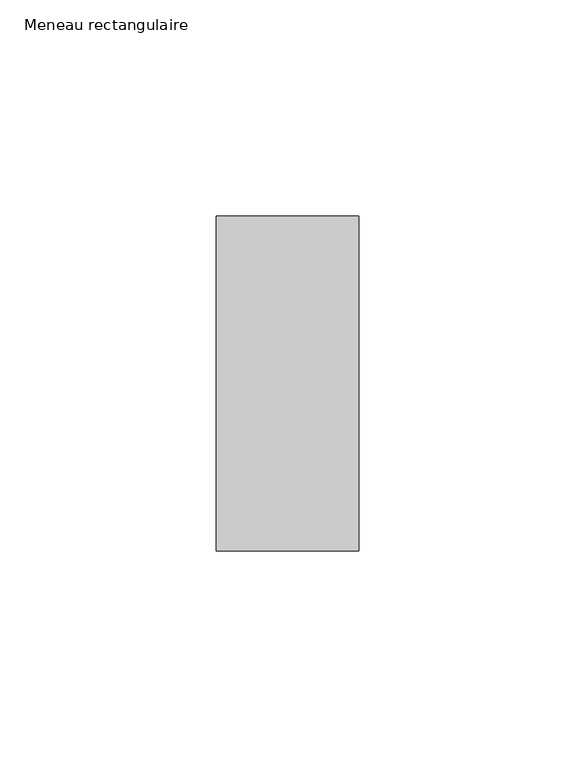
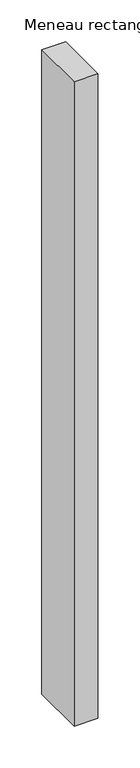
"""IFC4 building model written with IfcOpenShell, lengths in millimetres: member geometry, Meneau rectangulaire."""

from ifc_helpers import new_model, si_unit, frame, origin, place, context, project, spatial, polyline, outline, extrude, source, transform, mapped, element, save


def meneau_rectangulaire_1397e219(model_context):
    return source(origin(), model_context, "Body", "SweptSolid", [
        extrude(outline(polyline([(0.0, 38.75), (0.0, -38.75), (-33.0, -38.75), (-33.0, 38.75), (0.0, 38.75)])), frame((0.0, 0.0, -942.1707161), z_axis=(0.0, 0.0, 1.0), x_axis=(1.0, 0.0, 0.0)), (0.0, 0.0, 1.0), 942.1707161),
    ])


if __name__ == "__main__":
    model = new_model("IFC4")
    model_context = context("Model", 3, world=origin())
    ifc_project = project(units=[si_unit("LENGTHUNIT", "METRE", prefix="MILLI")], contexts=[model_context])
    site = spatial("IfcSite", under=ifc_project)
    building = spatial("IfcBuilding", under=site)
    placement = place(None, origin())
    meneau_rectangulaire_shape = meneau_rectangulaire_1397e219(model_context)
    element("IfcMember", 1, ObjectType="Meneau rectangulaire", at=placement, inside=building, context=model_context, shape_type="MappedRepresentation", body=[
        mapped(meneau_rectangulaire_shape, transform((0.0, 0.0, 0.0), x_axis=(1.0, 0.0, 0.0), y_axis=(0.0, 1.0, 0.0), z_axis=(0.0, 0.0, 1.0))),
    ])
    save(model, "model.ifc")
